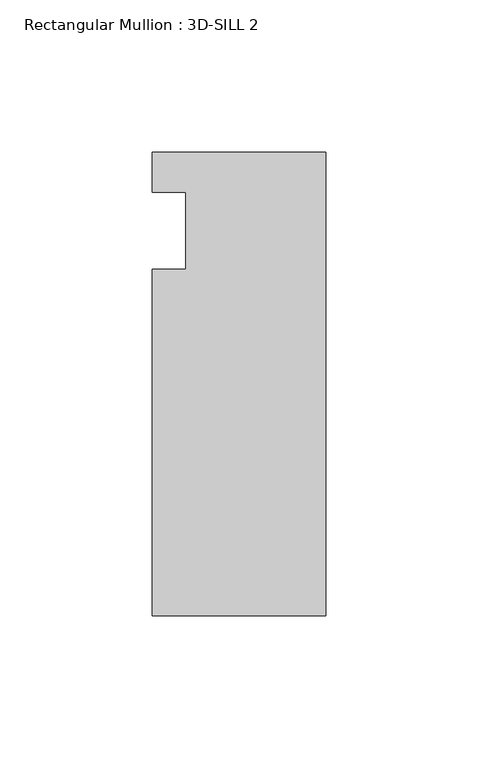
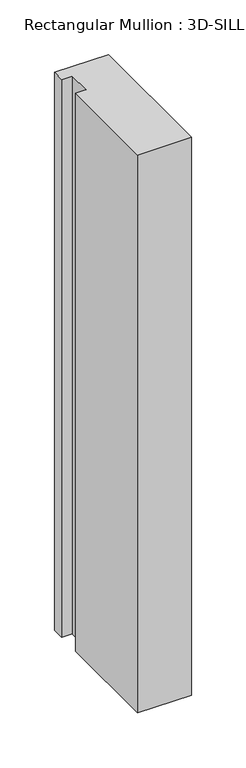
"""IFC4 building model written with IfcOpenShell, lengths in millimetres: member geometry, Rectangular Mullion : 3D-SILL 2."""

from ifc_helpers import new_model, si_unit, frame, origin, place, context, project, spatial, polyline, outline, extrude, source, transform, mapped, element, save


def rectangular_mullion_3d_sill_2_3fc8e418(model_context):
    return source(origin(), model_context, "Body", "SweptSolid", [
        extrude(outline(polyline([(-57.15, 76.2), (0.0, 76.2), (0.0, -76.2), (-57.15, -76.2), (-57.15, 37.6047), (-46.0375, 37.6047), (-46.0375, 63.0047), (-57.15, 63.0047), (-57.15, 76.2)])), frame((0.0, 0.0, -624.3595982), z_axis=(0.0, 0.0, 1.0), x_axis=(1.0, 0.0, 0.0)), (0.0, 0.0, 1.0), 624.3595982),
    ])


if __name__ == "__main__":
    model = new_model("IFC4")
    model_context = context("Model", 3, world=origin())
    ifc_project = project(units=[si_unit("LENGTHUNIT", "METRE", prefix="MILLI")], contexts=[model_context])
    site = spatial("IfcSite", under=ifc_project)
    building = spatial("IfcBuilding", under=site)
    placement = place(None, origin())
    rectangular_mullion_3d_sill_2_shape = rectangular_mullion_3d_sill_2_3fc8e418(model_context)
    element("IfcMember", 1, ObjectType="Rectangular Mullion : 3D-SILL 2", at=placement, inside=building, context=model_context, shape_type="MappedRepresentation", body=[
        mapped(rectangular_mullion_3d_sill_2_shape, transform((0.0, 0.0, 0.0), x_axis=(1.0, 0.0, 0.0), y_axis=(0.0, 1.0, 0.0), z_axis=(0.0, 0.0, 1.0))),
    ])
    save(model, "model.ifc")
